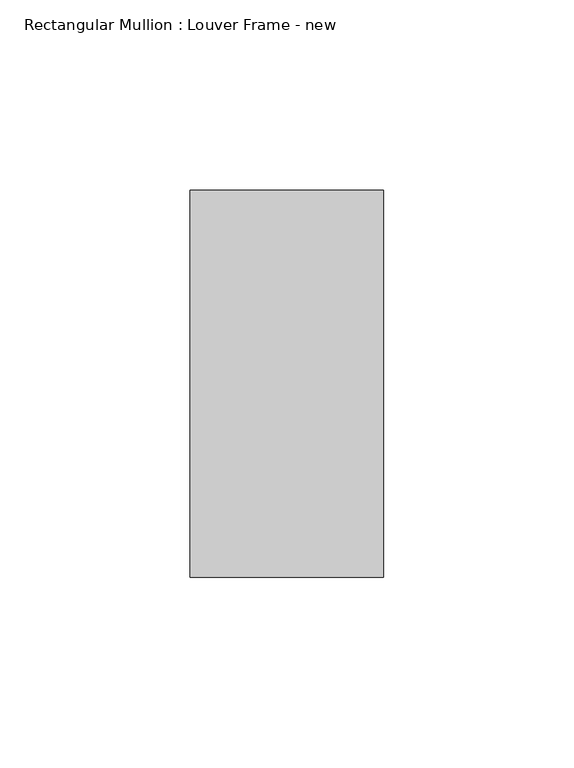
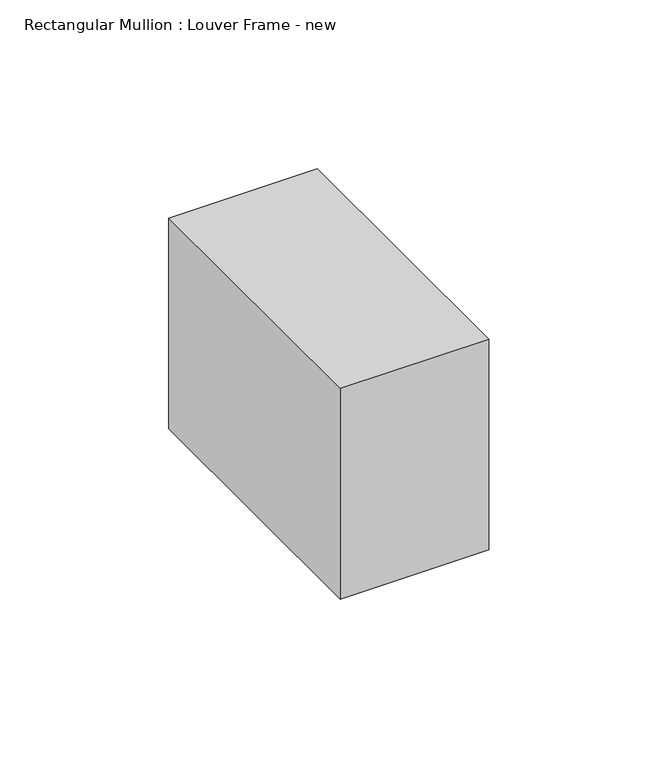
"""IFC4 building model written with IfcOpenShell, lengths in millimetres: member geometry, Rectangular Mullion : Louver Frame - new."""

from ifc_helpers import new_model, si_unit, frame, origin, place, context, project, spatial, polyline, outline, extrude, source, transform, mapped, element, save


def rectangular_mullion_louver_frame_new_fffa3afa(model_context):
    return source(origin(), model_context, "Body", "SweptSolid", [
        extrude(outline(polyline([(0.0, 50.8), (0.0, -50.8), (-50.8, -50.8), (-50.8, 50.8), (0.0, 50.8)])), frame((0.0, 0.0, -76.2), z_axis=(0.0, 0.0, 1.0), x_axis=(1.0, 0.0, 0.0)), (0.0, 0.0, 1.0), 76.2),
    ])


if __name__ == "__main__":
    model = new_model("IFC4")
    model_context = context("Model", 3, world=origin())
    ifc_project = project(units=[si_unit("LENGTHUNIT", "METRE", prefix="MILLI")], contexts=[model_context])
    site = spatial("IfcSite", under=ifc_project)
    building = spatial("IfcBuilding", under=site)
    placement = place(None, origin())
    rectangular_mullion_louver_frame_new_shape = rectangular_mullion_louver_frame_new_fffa3afa(model_context)
    element("IfcMember", 1, ObjectType="Rectangular Mullion : Louver Frame - new", at=placement, inside=building, context=model_context, shape_type="MappedRepresentation", body=[
        mapped(rectangular_mullion_louver_frame_new_shape, transform((0.0, 0.0, 0.0), x_axis=(1.0, 0.0, 0.0), y_axis=(0.0, 1.0, 0.0), z_axis=(0.0, 0.0, 1.0))),
    ])
    save(model, "model.ifc")
